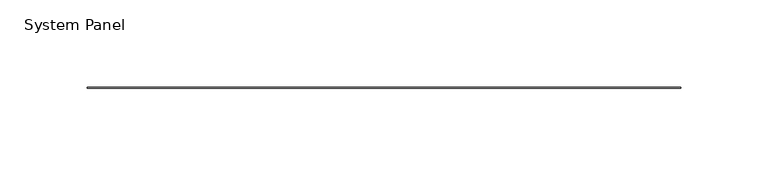
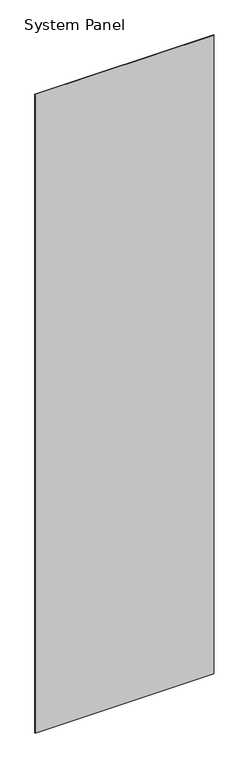
"""IFC4 building model written with IfcOpenShell, lengths in millimetres: plate geometry, System Panel."""

from ifc_helpers import new_model, si_unit, origin, origin_with_axes, place, context, project, spatial, polyline, outline, extrude, source, transform, mapped, element, save


def system_panel_11a4934e(model_context):
    return source(origin(), model_context, "Body", "SweptSolid", [
        extrude(outline(polyline([(170.1165, -0.2480469), (-170.1165, -0.2480469), (-170.1165, 0.2480469), (170.1165, 0.2480469), (170.1165, -0.2480469)])), origin_with_axes(), (0.0, 0.0, 1.0), 1285.875),
    ])


if __name__ == "__main__":
    model = new_model("IFC4")
    model_context = context("Model", 3, world=origin())
    ifc_project = project(units=[si_unit("LENGTHUNIT", "METRE", prefix="MILLI")], contexts=[model_context])
    site = spatial("IfcSite", under=ifc_project)
    building = spatial("IfcBuilding", under=site)
    placement = place(None, origin())
    system_panel_shape = system_panel_11a4934e(model_context)
    element("IfcPlate", 1, ObjectType="System Panel", at=placement, inside=building, context=model_context, shape_type="MappedRepresentation", body=[
        mapped(system_panel_shape, transform((0.0, 0.0, 0.0), x_axis=(1.0, 0.0, 0.0), y_axis=(0.0, 1.0, 0.0), z_axis=(0.0, 0.0, 1.0))),
    ])
    save(model, "model.ifc")
